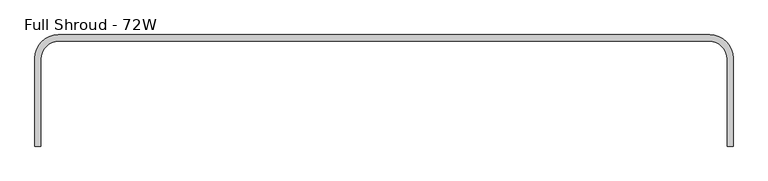
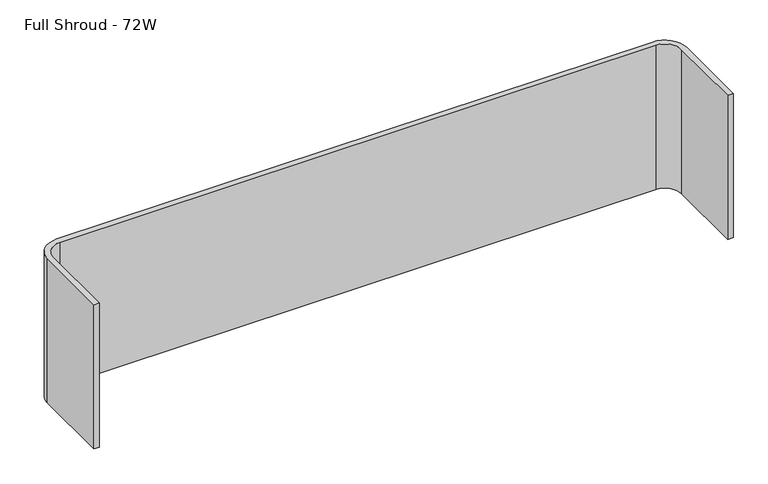
"""IFC4 building model written with IfcOpenShell, lengths in millimetres: furniture geometry, Full Shroud - 72W."""

from ifc_helpers import new_model, si_unit, point, frame, frame_2d, origin, place, context, project, spatial, polyline, circle_curve, trimmed, segment, composite_curve, outline, extrude, source, transform, mapped, element, save


def full_shroud_72w_e186c484(model_context):
    return source(origin(), model_context, "Body", "SweptSolid", [
        extrude(outline(composite_curve([segment(trimmed(circle_curve(frame_2d((61.7219696, -58.2395876)), 61.7219696), [point((0.0, -58.2395876))], [point((61.7219696, 3.4823819))], False, "CARTESIAN"), True, "CONTINUOUS"), segment(polyline([(61.7219696, 3.4823819), (1767.0780304, 3.4823819)]), True, "CONTINUOUS"), segment(trimmed(circle_curve(frame_2d((1767.0780304, -58.2395876)), 61.7219696), [point((1767.0780304, 3.4823819))], [point((1828.8, -58.2395876))], False, "CARTESIAN"), True, "CONTINUOUS"), segment(polyline([(1828.8, -58.2395876), (1828.8, -288.9196021), (1812.9185622, -288.9196021), (1812.9185622, -60.5073273)]), True, "CONTINUOUS"), segment(trimmed(circle_curve(frame_2d((1764.8805704, -60.5073273)), 48.0379918), [point((1812.9185622, -60.5073273))], [point((1767.0779998, -12.519621))], True, "CARTESIAN"), True, "CONTINUOUS"), segment(polyline([(1767.0779998, -12.519621), (61.7220002, -12.519621)]), True, "CONTINUOUS"), segment(trimmed(circle_curve(frame_2d((63.9194296, -60.5073273)), 48.0379918), [point((61.7220002, -12.519621))], [point((15.8814378, -60.5073273))], True, "CARTESIAN"), True, "CONTINUOUS"), segment(polyline([(15.8814378, -60.5073273), (15.8814378, -288.9196021), (0.0, -288.9196021), (0.0, -58.2395876)]), True, "CONTINUOUS")], self_intersect=False)), frame((0.0, 0.0, 605.082423), z_axis=(0.0, 0.0, 1.0), x_axis=(1.0, 0.0, 0.0)), (0.0, 0.0, 1.0), 436.5085421),
    ])


if __name__ == "__main__":
    model = new_model("IFC4")
    model_context = context("Model", 3, world=origin())
    ifc_project = project(units=[si_unit("LENGTHUNIT", "METRE", prefix="MILLI")], contexts=[model_context])
    site = spatial("IfcSite", under=ifc_project)
    building = spatial("IfcBuilding", under=site)
    placement = place(None, origin())
    full_shroud_72w_shape = full_shroud_72w_e186c484(model_context)
    element("IfcFurniture", 1, ObjectType="Full Shroud - 72W", at=placement, inside=building, context=model_context, shape_type="MappedRepresentation", body=[
        mapped(full_shroud_72w_shape, transform((0.0, 0.0, 0.0), x_axis=(1.0, 0.0, 0.0), y_axis=(0.0, 1.0, 0.0), z_axis=(0.0, 0.0, 1.0))),
    ])
    save(model, "model.ifc")
